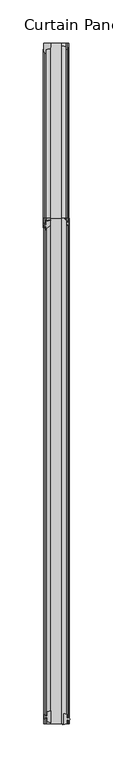
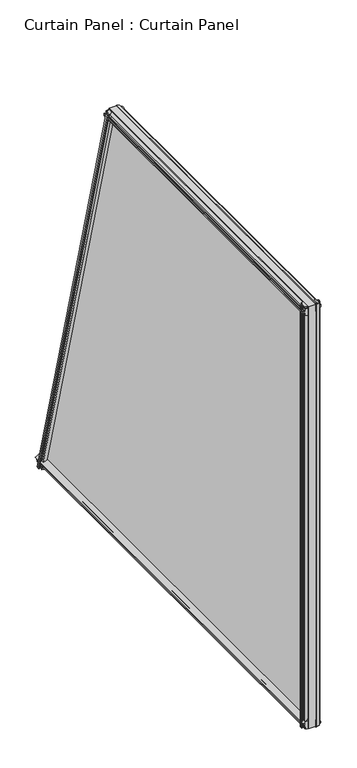
"""IFC4 building model written with IfcOpenShell, lengths in millimetres: plate geometry, Curtain Panel : Curtain Panel."""

from ifc_helpers import new_model, si_unit, point, frame, frame_2d, origin, place, context, project, spatial, polyline, circle_curve, trimmed, segment, composite_curve, outline, extrude, source, transform, mapped, element, save


def curtain_panel_curtain_panel_b38136f8(model_context):
    return source(origin(), model_context, "Body", "SweptSolid", [
        extrude(outline(polyline([(0.0, 2.5104526), (0.0, 16.2438888), (5.1295313, 14.9397706), (5.1295313, 10.6471707), (7.8473313, 10.1645707), (7.5933313, 11.7139707), (8.4061313, 11.7139707), (8.8125313, 9.3771707), (8.4061313, 7.0403707), (7.5933313, 7.0403707), (7.8473313, 8.5897707), (5.1295313, 8.1071707), (5.1295313, 3.8145707), (0.0, 2.5104526)])), frame((-5117.4011305, 3768.7086986, 941.5678218), z_axis=(0.0, -0.2588190451025256, 0.9659258262890671), x_axis=(-1.0, 0.0, 0.0)), (0.0, 0.0, 1.0), 783.8886088),
        extrude(outline(polyline([(-17.3385468, 1.1983707), (-17.3385468, 5.4909707), (-20.0563468, 5.9735707), (-19.8023468, 4.4241707), (-20.6151468, 4.4241707), (-21.0215468, 6.7609707), (-20.6151468, 9.0977707), (-19.8023468, 9.0977707), (-20.0563468, 7.5483707), (-17.3385468, 8.0309707), (-17.3385468, 12.3235707), (-12.8524, 13.4641165), (-12.8524, 0.0578248), (-17.3385468, 1.1983707)])), frame((-5117.4011305, 3768.7086986, 941.5678218), z_axis=(0.0, -0.2588190451025256, 0.9659258262890671), x_axis=(-1.0, 0.0, 0.0)), (0.0, 0.0, 1.0), 783.8886088),
        extrude(outline(polyline([(-5121.4400554, 2981.7023287), (-5121.4400554, 2985.9949287), (-5124.1578554, 2986.4775287), (-5123.9038554, 2984.9281287), (-5124.7166554, 2984.9281287), (-5125.1230554, 2987.2649287), (-5124.7166554, 2989.6017287), (-5123.9038554, 2989.6017287), (-5124.1578554, 2988.0523287), (-5121.4400554, 2988.5349287), (-5121.4400554, 2992.8275287), (-5117.0551888, 2993.9423253), (-5117.0551888, 2980.5875321), (-5121.4400554, 2981.7023287)])), frame((0.0, 0.0, 941.5678218), z_axis=(0.0, 0.0, 1.0), x_axis=(1.0, 0.0, 0.0)), (0.0, 0.0, 1.0), 757.1782522),
        extrude(outline(polyline([(-5103.3459221, 2991.3007253), (-5098.9610554, 2990.1859287), (-5098.9610554, 2985.8933287), (-5096.2432554, 2985.4107287), (-5096.4972554, 2986.9601287), (-5095.6844554, 2986.9601287), (-5095.2780554, 2984.6233287), (-5095.6844554, 2982.2865287), (-5096.4972554, 2982.2865287), (-5096.2432554, 2983.8359287), (-5098.9610554, 2983.3533287), (-5098.9610554, 2979.0607287), (-5103.3459221, 2977.9459321), (-5103.3459221, 2991.3007253)])), frame((0.0, 0.0, 941.5678218), z_axis=(0.0, 0.0, 1.0), x_axis=(1.0, 0.0, 0.0)), (0.0, 0.0, 1.0), 757.1782522),
        extrude(outline(polyline([(1697.0960603, -5117.4011305), (1695.9138413, -5122.0511919), (1691.6212413, -5122.0511919), (1691.1386413, -5124.7689919), (1692.6880413, -5124.5149919), (1692.6880413, -5125.3277919), (1690.3512413, -5125.7341919), (1688.0144413, -5125.3277919), (1688.0144413, -5124.5149919), (1689.5638413, -5124.7689919), (1689.0812413, -5122.0511919), (1684.7886413, -5122.0511919), (1683.6064223, -5117.4011305), (1697.0960603, -5117.4011305)])), frame((0.0, 2979.3062652, 0.0), z_axis=(0.0, 1.0, 0.0), x_axis=(0.0, 0.0, 1.0)), (0.0, 0.0, 1.0), 586.5171322),
        extrude(outline(polyline([(1698.5554413, -5099.5721919), (1699.820663, -5104.5487305), (1686.1650196, -5104.5487305), (1687.4302413, -5099.5721919), (1691.7228413, -5099.5721919), (1692.2054413, -5096.8543919), (1690.6560413, -5097.1083919), (1690.6560413, -5096.2955919), (1692.9928413, -5095.8891919), (1695.3296413, -5096.2955919), (1695.3296413, -5097.1083919), (1693.7802413, -5096.8543919), (1694.2628413, -5099.5721919), (1698.5554413, -5099.5721919)])), frame((0.0, 2979.3062652, 0.0), z_axis=(0.0, 1.0, 0.0), x_axis=(0.0, 0.0, 1.0)), (0.0, 0.0, 1.0), 586.5171322),
        extrude(outline(composite_curve([segment(polyline([(952.726485, -5125.5974846), (952.726485, -5123.2098846)]), True, "CONTINUOUS"), segment(trimmed(circle_curve(frame_2d((951.939085, -5123.2098846)), 0.7874), [point((952.726485, -5123.2098846))], [point((951.939085, -5122.4224846))], True, "CARTESIAN"), True, "CONTINUOUS"), segment(polyline([(951.939085, -5122.4224846), (951.151685, -5122.4224846), (951.151685, -5123.9972846), (944.9535854, -5122.3926128)]), True, "CONTINUOUS"), segment(trimmed(circle_curve(frame_2d((944.5696294, -5119.9840846)), 2.4389404), [point((944.9535854, -5122.3926128))], [point((944.518289, -5117.5456846))], False, "CARTESIAN"), True, "CONTINUOUS"), segment(polyline([(944.518289, -5117.5456846), (958.5370967, -5117.5456846)]), True, "CONTINUOUS"), segment(trimmed(circle_curve(frame_2d((966.2823846, -5129.2576256)), 14.0413335), [point((958.5370967, -5117.5456846))], [point((952.726485, -5125.5974846))], True, "CARTESIAN"), True, "CONTINUOUS")], self_intersect=False)), frame((0.0, 2979.3062652, 0.0), z_axis=(0.0, 1.0, 0.0), x_axis=(0.0, 0.0, 1.0)), (0.0, 0.0, 1.0), 789.4024334),
        extrude(outline(polyline([(953.1099102, -5104.5487305), (939.6430598, -5104.5487305), (940.813885, -5099.9434846), (945.106485, -5099.9434846), (945.589085, -5097.2256846), (944.039685, -5097.4796846), (944.039685, -5096.6668846), (946.376485, -5096.2604846), (948.713285, -5096.6668846), (948.713285, -5097.4796846), (947.163885, -5097.2256846), (947.646485, -5099.9434846), (951.939085, -5099.9434846), (953.1099102, -5104.5487305)])), frame((0.0, 2979.3062652, 0.0), z_axis=(0.0, 1.0, 0.0), x_axis=(0.0, 0.0, 1.0)), (0.0, 0.0, 1.0), 789.4024334),
        extrude(outline(polyline([(3768.7086986, 941.5678218), (2979.3062652, 941.5678218), (2979.3062652, 1698.746074), (3565.8233974, 1698.746074), (3768.7086986, 941.5678218)])), frame((-5117.4011305, 0.0, 0.0), z_axis=(1.0, 0.0, 0.0), x_axis=(0.0, 1.0, 0.0)), (0.0, 0.0, 1.0), 12.8524),
    ])


if __name__ == "__main__":
    model = new_model("IFC4")
    model_context = context("Model", 3, world=origin())
    ifc_project = project(units=[si_unit("LENGTHUNIT", "METRE", prefix="MILLI")], contexts=[model_context])
    site = spatial("IfcSite", under=ifc_project)
    building = spatial("IfcBuilding", under=site)
    placement = place(None, origin())
    curtain_panel_curtain_panel_shape = curtain_panel_curtain_panel_b38136f8(model_context)
    element("IfcPlate", 1, ObjectType="Curtain Panel : Curtain Panel", at=placement, inside=building, context=model_context, shape_type="MappedRepresentation", body=[
        mapped(curtain_panel_curtain_panel_shape, transform((0.0, 0.0, 0.0), x_axis=(1.0, 0.0, 0.0), y_axis=(0.0, 1.0, 0.0), z_axis=(0.0, 0.0, 1.0))),
    ])
    save(model, "model.ifc")
